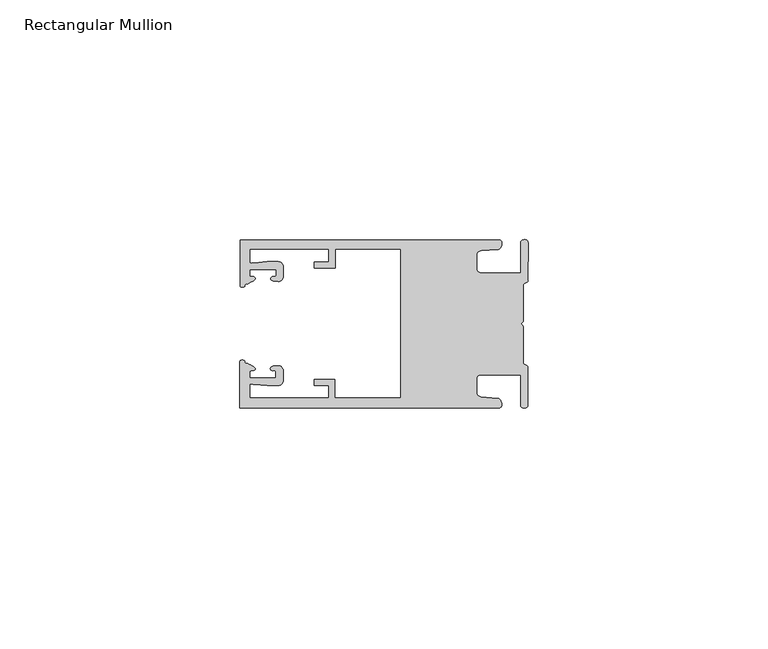
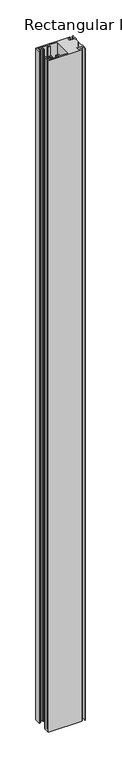
"""IFC4 building model written with IfcOpenShell, lengths in millimetres: member geometry, Rectangular Mullion."""

from ifc_helpers import new_model, si_unit, frame, origin, place, context, project, spatial, circle_curve, source, transform, mapped, element, save
from ifc_brep_helpers import plane_surface, cylinder_surface, extruded_surface, spline_curve, advanced_brep


def rectangular_mullion_a2af838d(model_context):
    return source(origin(), model_context, "Body", "AdvancedBrep", [
        advanced_brep(
        [(-60.0749377, 17.5111528, 0.0), (-60.0749377, 8.0140787, 0.0), (-59.3252567, 7.7187455, 0.0), (-58.4967974, 8.36785, 0.0), (-58.0726619, 10.1173923, 0.0), (-58.0713101, 11.3673916, 0.0), (-52.5713133, 11.3614437, 0.0), (-52.5726651, 10.1114444, 0.0), (-53.1427626, 8.8955539, 0.0), (-52.0740172, 8.8609044, 0.0), (-51.0729364, 9.8598224, 0.0), (-51.0706653, 11.9598211, 0.0), (-52.0700692, 12.9609024, 0.0), (-54.3905105, 12.9622843, 0.0), (-57.1599646, 12.7230061, 0.0), (-58.0696339, 12.9173907, 0.0), (-58.066768, 15.5673891, 0.0), (-41.5667584, 15.5673891, 0.0), (-41.5695894, 12.9495468, 0.0), (-44.5695877, 12.9527912, 0.0), (-44.5709936, 11.6527919, 0.0), (-40.2709961, 11.6481417, 0.0), (-40.2667576, 15.5673891, 0.0), (-26.6002952, 15.5673891, 0.0), (-26.6002952, -15.4518424, 0.0), (-40.3003032, -15.4518424, 0.0), (-40.2960856, -11.5518447, 0.0), (-44.5960831, -11.5471945, 0.0), (-44.597489, -12.8471938, 0.0), (-41.5974907, -12.8504381, 0.0), (-41.6003025, -15.4504366, 0.0), (-58.1002928, -15.4325927, 0.0), (-58.097427, -12.7825943, 0.0), (-57.1873395, -12.5901776, 0.0), (-54.4184094, -12.8354453, 0.0), (-52.0979705, -12.8390822, 0.0), (-51.0964037, -11.8401649, 0.0), (-51.0941327, -9.7401662, 0.0), (-52.0930507, -8.7390853, 0.0), (-53.1618685, -8.7714231, 0.0), (-52.5944022, -9.9885439, 0.0), (-52.595754, -11.2385431, 0.0), (-58.0957508, -11.2325952, 0.0), (-58.094399, -9.9825959, 0.0), (-58.5147494, -8.2321403, 0.0), (-59.3418028, -7.5812455, 0.0), (-60.0921208, -7.8749565, 0.0), (-60.0921208, -17.4888267, 0.0), (-6.1024861, -17.4888267, 0.0), (-6.5218639, -15.488372, 0.0), (-9.8784944, -15.2205466, 0.0), (-10.7989567, -14.2226333, 0.0), (-10.7961029, -11.5837474, 0.0), (-9.8734844, -10.5878272, 0.0), (-1.5950266, -10.5934991, 0.0), (-1.601948, -16.9936935, 0.0), (-0.1017194, -16.7830581, 0.0), (-0.0933208, -9.0170082, 0.0), (-1.0923837, -8.1499018, 0.0), (-1.0842165, -0.5977972, 0.0), (-1.0829111, 0.6093089, 0.0), (-1.0747439, 8.1614135, 0.0), (-0.0738079, 9.026357, 0.0), (-0.0654093, 16.7924069, 0.0), (-1.5651789, 17.0062866, 0.0), (-1.5651789, 10.6183257, 0.0), (-9.8505511, 10.6183257, 0.0), (-10.7710133, 11.6162391, 0.0), (-10.7681595, 14.255125, 0.0), (-9.845541, 15.2510452, 0.0), (-6.4883391, 15.5116099, 0.0), (-6.0646356, 17.5111528, 0.0), (-60.0749377, 17.5111528, -1143.4999998), (-6.0646356, 17.5111528, -1143.4999998), (-6.4883391, 15.5116099, -1143.4999998), (-9.845541, 15.2510452, -1143.4999998), (-10.7681595, 14.255125, -1143.4999998), (-10.7710133, 11.6162391, -1143.4999998), (-9.8505511, 10.6183257, -1143.4999998), (-1.5651789, 10.6183257, -1143.4999998), (-1.5651789, 17.0062866, -1143.4999998), (-0.0654093, 16.7924069, -1143.4999998), (-0.0738079, 9.026357, -1143.4999998), (-1.0747439, 8.1614135, -1143.4999998), (-1.0829111, 0.6093089, -1143.4999998), (-1.0842165, -0.5977972, -1143.4999998), (-1.0923837, -8.1499018, -1143.4999998), (-0.0933208, -9.0170082, -1143.4999998), (-0.1017194, -16.7830581, -1143.4999998), (-1.601948, -16.9936935, -1143.4999998), (-1.5950266, -10.5934991, -1143.4999998), (-9.8734844, -10.5878272, -1143.4999998), (-10.7961029, -11.5837474, -1143.4999998), (-10.7989567, -14.2226333, -1143.4999998), (-9.8784944, -15.2205466, -1143.4999998), (-6.5218639, -15.488372, -1143.4999998), (-6.1024861, -17.4888267, -1143.4999998), (-60.0921208, -17.4888267, -1143.4999998), (-60.0921208, -7.8749565, -1143.4999998), (-59.3418028, -7.5812455, -1143.4999998), (-58.5147494, -8.2321403, -1143.4999998), (-58.094399, -9.9825959, -1143.4999998), (-58.0957508, -11.2325952, -1143.4999998), (-52.595754, -11.2385431, -1143.4999998), (-52.5944022, -9.9885439, -1143.4999998), (-53.1618685, -8.7714231, -1143.4999998), (-52.0930507, -8.7390853, -1143.4999998), (-51.0941327, -9.7401662, -1143.4999998), (-51.0964037, -11.8401649, -1143.4999998), (-52.0979705, -12.8390823, -1143.4999998), (-54.4184094, -12.8354453, -1143.4999998), (-57.1873395, -12.5901776, -1143.4999998), (-58.097427, -12.7825943, -1143.4999998), (-58.1002928, -15.4325927, -1143.4999998), (-41.6003025, -15.4504366, -1143.4999998), (-41.5974907, -12.8504381, -1143.4999998), (-44.597489, -12.8471938, -1143.4999998), (-44.5960831, -11.5471945, -1143.4999998), (-40.2960856, -11.5518447, -1143.4999998), (-40.3003032, -15.4518424, -1143.4999998), (-26.6002952, -15.4518424, -1143.4999998), (-26.6002952, 15.5673891, -1143.4999998), (-40.2667576, 15.5673891, -1143.4999998), (-40.2709961, 11.6481417, -1143.4999998), (-44.5709936, 11.6527919, -1143.4999998), (-44.5695877, 12.9527912, -1143.4999998), (-41.5695894, 12.9495468, -1143.4999998), (-41.5667584, 15.5673891, -1143.4999998), (-58.066768, 15.5673891, -1143.4999998), (-58.0696339, 12.9173907, -1143.4999998), (-57.1599646, 12.7230061, -1143.4999998), (-54.3905105, 12.9622843, -1143.4999998), (-52.0700692, 12.9609023, -1143.4999998), (-51.0706653, 11.9598211, -1143.4999998), (-51.0729364, 9.8598224, -1143.4999998), (-52.0740172, 8.8609044, -1143.4999998), (-53.1427626, 8.8955539, -1143.4999998), (-52.5726651, 10.1114444, -1143.4999998), (-52.5713133, 11.3614437, -1143.4999998), (-58.0713101, 11.3673916, -1143.4999998), (-58.0726619, 10.1173923, -1143.4999998), (-58.4967974, 8.36785, -1143.4999998), (-59.3252567, 7.7187455, -1143.4999998), (-60.0749377, 8.0140787, -1143.4999998)],
        [
            (0, 1),
            (1, 2, spline_curve(3, [(-60.0749377, 8.0140787, 0.0), (-60.075233123, 7.740904774, 0.0), (-59.825339491, 7.642460332, 0.0), (-59.3252567, 7.7187455, 0.0)], [4, 4], [0.0, 0.0019169337574178654])),
            (2, 3, spline_curve(3, [(-59.3252567, 7.7187455, 0.0), (-59.094460914, 7.75918372, 0.0), (-59.054835463, 7.902257199, 0.0), (-59.05559987, 8.233305614, 0.0), (-59.138729113, 8.4134359, 0.0), (-58.4967974, 8.36785, 0.0)], [4, 2, 4], [0.0, 0.0010199524164107188, 0.0024874514725970356])),
            (3, 4, spline_curve(3, [(-58.4967974, 8.36785, 0.0), (-57.022393378, 9.053435667, 0.0), (-56.827266887, 9.364828726, 0.0), (-56.982213078, 9.742623404, 0.0), (-57.177375211, 9.855581791, 0.0), (-57.697928101, 9.887955071, 0.0), (-57.997449153, 9.835475348, 0.0), (-58.0726619, 10.1173923, 0.0)], [4, 2, 2, 4], [0.0, 0.003269869179570428, 0.005490050486237203, 0.0073545767114364426])),
            (4, 5),
            (5, 6),
            (6, 7),
            (7, 8, spline_curve(3, [(-52.5726651, 10.1114444, 0.0), (-52.667195519, 9.760172042, 0.0), (-52.937094388, 9.861877724, 0.0), (-53.356237032, 9.895631753, 0.0), (-53.491940439, 9.811038713, 0.0), (-53.761900775, 9.511438033, 0.0), (-53.892893546, 9.278787104, 0.0), (-53.1427626, 8.8955539, 0.0)], [4, 2, 2, 4], [0.0, 0.001593963049934732, 0.0033360256320283306, 0.005339140673503943])),
            (8, 9),
            (9, 10, circle_curve(frame((-52.0729358, 9.8609038, 0.0), z_axis=(0.0, 0.0, 1.0), x_axis=(-0.0010814451158600304, -0.9999994152380598, 0.0)), 1.0)),
            (10, 11),
            (11, 12, circle_curve(frame((-52.0706647, 11.9609026, 0.0), z_axis=(0.0, 0.0, 1.0), x_axis=(-0.0010814451158600304, -0.9999994152380598, 0.0)), 1.0)),
            (12, 13),
            (13, 14),
            (14, 15, spline_curve(3, [(-57.1599646, 12.7230061, 0.0), (-57.631533854, 12.682262968, 0.0), (-58.018602985, 12.477800124, 0.0), (-58.0696339, 12.9173907, 0.0)], [4, 4], [0.0, 0.0014803385355886016])),
            (15, 16),
            (16, 17),
            (17, 18),
            (18, 19),
            (19, 20),
            (20, 21),
            (21, 22),
            (22, 23),
            (23, 24),
            (24, 25),
            (25, 26),
            (26, 27),
            (27, 28),
            (28, 29),
            (29, 30),
            (30, 31),
            (31, 32),
            (32, 33, spline_curve(3, [(-58.097427, -12.7825943, 0.0), (-58.045445419, -12.343115126, 0.0), (-57.658819528, -12.548414611, 0.0), (-57.1873395, -12.5901776, 0.0)], [4, 4], [0.0, 0.0014803385355886016])),
            (33, 34),
            (34, 35),
            (35, 36, circle_curve(frame((-52.0964031, -11.8390835, 0.0), z_axis=(0.0, 0.0, 1.0), x_axis=(0.0010814451158600304, 0.9999994152380598, 0.0)), 1.0)),
            (36, 37),
            (37, 38, circle_curve(frame((-52.0941321, -9.7390847, 0.0), z_axis=(0.0, 0.0, 1.0), x_axis=(0.0010814451158600304, 0.9999994152380598, 0.0)), 1.0)),
            (38, 39),
            (39, 40, spline_curve(3, [(-53.1618685, -8.7714231, 0.0), (-53.912826582, -9.153032958, 0.0), (-53.782337352, -9.385966711, 0.0), (-53.51302565, -9.686150585, 0.0), (-53.377505444, -9.771037009, 0.0), (-52.958290774, -9.738189618, 0.0), (-52.688172635, -9.637067904, 0.0), (-52.5944022, -9.9885439, 0.0)], [4, 2, 2, 4], [0.0, 0.002003115041475612, 0.0037451776235692107, 0.005339140673503943])),
            (40, 41),
            (41, 42),
            (42, 43),
            (43, 44, spline_curve(3, [(-58.094399, -9.9825959, 0.0), (-58.018576674, -9.700842284, 0.0), (-57.719169706, -9.753969703, 0.0), (-57.198548014, -9.722722397, 0.0), (-57.003142178, -9.61018632, 0.0), (-56.847379222, -9.232727657, 0.0), (-57.041831673, -8.920913336, 0.0), (-58.5147494, -8.2321403, 0.0)], [4, 2, 2, 4], [0.0, 0.0018645262251992395, 0.004084707531866015, 0.0073545767114364426])),
            (44, 45, spline_curve(3, [(-58.5147494, -8.2321403, 0.0), (-59.156778208, -8.276337666, 0.0), (-59.073259494, -8.096387681, 0.0), (-59.071779067, -7.765341694, 0.0), (-59.111095017, -7.622182811, 0.0), (-59.3418028, -7.5812455, 0.0)], [4, 2, 4], [0.0, 0.0014674990561863168, 0.0024874514725970356])),
            (45, 46, spline_curve(3, [(-59.3418028, -7.5812455, 0.0), (-59.841719425, -7.503878887, 0.0), (-60.091825377, -7.601782574, 0.0), (-60.0921208, -7.8749565, 0.0)], [4, 4], [0.0, 0.0019169337574178654])),
            (46, 47),
            (47, 48),
            (48, 49, spline_curve(3, [(-6.1024861, -17.4888267, 0.0), (-5.074532184, -17.418062188, 0.0), (-5.631140689, -15.411414367, 0.0), (-6.5218639, -15.488372, 0.0)], [4, 4], [0.0, 0.0043819361547461745])),
            (49, 50),
            (50, 51, spline_curve(3, [(-9.8784944, -15.2205466, 0.0), (-10.440691543, -15.150698463, 0.0), (-10.74751234, -14.818060727, 0.0), (-10.7989567, -14.2226333, 0.0)], [4, 4], [0.0, 0.0028645797420738927])),
            (51, 52),
            (52, 53, spline_curve(3, [(-10.7961029, -11.5837474, 0.0), (-10.743370817, -10.988432634, 0.0), (-10.435831301, -10.656459204, 0.0), (-9.8734844, -10.5878272, 0.0)], [4, 4], [0.0, 0.0028645797420738927])),
            (53, 54),
            (54, 55),
            (55, 56, spline_curve(3, [(-1.601948, -16.9936935, 0.0), (-1.655676874, -17.600261454, 0.0), (-0.043737403, -17.912795581, 0.0), (-0.1017194, -16.7830581, 0.0)], [4, 4], [0.0, 0.0036987374396357936])),
            (56, 57),
            (57, 58, spline_curve(3, [(-0.0933208, -9.0170082, 0.0), (-0.018818183, -8.695886697, 0.0), (-1.193434327, -8.459763043, 0.0), (-1.0923837, -8.1499018, 0.0)], [4, 4], [0.0, 0.002027216749630121])),
            (58, 59),
            (59, 60, spline_curve(3, [(-1.0842165, -0.5977972, 0.0), (-1.013223198, -0.445980437, 0.0), (-1.487945123, -0.206736825, 0.0), (-1.487409651, 0.231097965, 0.0), (-0.999110985, 0.429090391, 0.0), (-1.0829111, 0.6093089, 0.0)], [4, 2, 4], [0.0, 0.00249866671847065, 0.005031402919736269])),
            (60, 61),
            (61, 62, spline_curve(3, [(-1.0747439, 8.1614135, 0.0), (-1.175124095, 8.47149258, 0.0), (-7e-09, 8.705075107, 0.0), (-0.0738079, 9.026357, 0.0)], [4, 4], [0.0, 0.002027216749630121])),
            (62, 63),
            (63, 64, spline_curve(3, [(-0.0654093, 16.7924069, 0.0), (-0.004983942, 17.92201633, 0.0), (-1.617595709, 17.612969344, 0.0), (-1.5651789, 17.0062866, 0.0)], [4, 4], [0.0, 0.0036987374396357936])),
            (64, 65),
            (65, 66),
            (66, 67, spline_curve(3, [(-9.8505511, 10.6183257, 0.0), (-10.412748243, 10.688173837, 0.0), (-10.71956894, 11.020811673, 0.0), (-10.7710133, 11.6162391, 0.0)], [4, 4], [0.0, 0.0028645797420738927])),
            (67, 68),
            (68, 69, spline_curve(3, [(-10.7681595, 14.255125, 0.0), (-10.715427417, 14.850439766, 0.0), (-10.407887901, 15.182413196, 0.0), (-9.845541, 15.2510452, 0.0)], [4, 4], [0.0, 0.0028645797420738927])),
            (69, 70),
            (70, 71, spline_curve(3, [(-6.4883391, 15.5116099, 0.0), (-5.597784423, 15.432725911, 0.0), (-5.036837144, 17.438165103, 0.0), (-6.0646356, 17.5111528, 0.0)], [4, 4], [0.0, 0.0043819361547461745])),
            (71, 0),
            (72, 73),
            (73, 74, spline_curve(3, [(-6.0646356, 17.5111528, -1143.4999998), (-5.036837144, 17.438165103, -1143.4999998), (-5.597784423, 15.432725911, -1143.4999998), (-6.4883391, 15.5116099, -1143.4999998)], [4, 4], [0.0, 0.0043819361547461745])),
            (74, 75),
            (75, 76, spline_curve(3, [(-9.845541, 15.2510452, -1143.4999998), (-10.407887901, 15.182413196, -1143.4999998), (-10.715427417, 14.850439766, -1143.4999998), (-10.7681595, 14.255125, -1143.4999998)], [4, 4], [0.0, 0.0028645797420738927])),
            (76, 77),
            (77, 78, spline_curve(3, [(-10.7710133, 11.6162391, -1143.4999998), (-10.71956894, 11.020811673, -1143.4999998), (-10.412748243, 10.688173837, -1143.4999998), (-9.8505511, 10.6183257, -1143.4999998)], [4, 4], [0.0, 0.0028645797420738927])),
            (78, 79),
            (79, 80),
            (80, 81, spline_curve(3, [(-1.5651789, 17.0062866, -1143.4999998), (-1.617595709, 17.612969344, -1143.4999998), (-0.004983942, 17.92201633, -1143.4999998), (-0.0654093, 16.7924069, -1143.4999998)], [4, 4], [0.0, 0.0036987374396357936])),
            (81, 82),
            (82, 83, spline_curve(3, [(-0.0738079, 9.026357, -1143.4999998), (-7e-09, 8.705075107, -1143.4999998), (-1.175124095, 8.47149258, -1143.4999998), (-1.0747439, 8.1614135, -1143.4999998)], [4, 4], [0.0, 0.002027216749630121])),
            (83, 84),
            (84, 85, spline_curve(3, [(-1.0829111, 0.6093089, -1143.4999998), (-0.999110985, 0.429090391, -1143.4999998), (-1.487409651, 0.231097965, -1143.4999998), (-1.487945123, -0.206736825, -1143.4999998), (-1.013223198, -0.445980437, -1143.4999998), (-1.0842165, -0.5977972, -1143.4999998)], [4, 2, 4], [0.0, 0.002532736201265619, 0.005031402919736269])),
            (85, 86),
            (86, 87, spline_curve(3, [(-1.0923837, -8.1499018, -1143.4999998), (-1.193434327, -8.459763043, -1143.4999998), (-0.018818183, -8.695886697, -1143.4999998), (-0.0933208, -9.0170082, -1143.4999998)], [4, 4], [0.0, 0.002027216749630121])),
            (87, 88),
            (88, 89, spline_curve(3, [(-0.1017194, -16.7830581, -1143.4999998), (-0.043737403, -17.912795581, -1143.4999998), (-1.655676874, -17.600261454, -1143.4999998), (-1.601948, -16.9936935, -1143.4999998)], [4, 4], [0.0, 0.0036987374396357936])),
            (89, 90),
            (90, 91),
            (91, 92, spline_curve(3, [(-9.8734844, -10.5878272, -1143.4999998), (-10.435831301, -10.656459204, -1143.4999998), (-10.743370817, -10.988432634, -1143.4999998), (-10.7961029, -11.5837474, -1143.4999998)], [4, 4], [0.0, 0.0028645797420738927])),
            (92, 93),
            (93, 94, spline_curve(3, [(-10.7989567, -14.2226333, -1143.4999998), (-10.74751234, -14.818060727, -1143.4999998), (-10.440691543, -15.150698463, -1143.4999998), (-9.8784944, -15.2205466, -1143.4999998)], [4, 4], [0.0, 0.0028645797420738927])),
            (94, 95),
            (95, 96, spline_curve(3, [(-6.5218639, -15.488372, -1143.4999998), (-5.631140689, -15.411414367, -1143.4999998), (-5.074532184, -17.418062188, -1143.4999998), (-6.1024861, -17.4888267, -1143.4999998)], [4, 4], [0.0, 0.0043819361547461745])),
            (96, 97),
            (97, 98),
            (98, 99, spline_curve(3, [(-60.0921208, -7.8749565, -1143.4999998), (-60.091825377, -7.601782574, -1143.4999998), (-59.841719425, -7.503878887, -1143.4999998), (-59.3418028, -7.5812455, -1143.4999998)], [4, 4], [0.0, 0.0019169337574178654])),
            (99, 100, spline_curve(3, [(-59.3418028, -7.5812455, -1143.4999998), (-59.111095017, -7.622182811, -1143.4999998), (-59.071779067, -7.765341694, -1143.4999998), (-59.073259494, -8.096387681, -1143.4999998), (-59.156778208, -8.276337666, -1143.4999998), (-58.5147494, -8.2321403, -1143.4999998)], [4, 2, 4], [0.0, 0.0010199524164107188, 0.0024874514725970356])),
            (100, 101, spline_curve(3, [(-58.5147494, -8.2321403, -1143.4999998), (-57.041831673, -8.920913336, -1143.4999998), (-56.847379222, -9.232727657, -1143.4999998), (-57.003142178, -9.61018632, -1143.4999998), (-57.198548014, -9.722722397, -1143.4999998), (-57.719169706, -9.753969703, -1143.4999998), (-58.018576674, -9.700842284, -1143.4999998), (-58.094399, -9.9825959, -1143.4999998)], [4, 2, 2, 4], [0.0, 0.003269869179570428, 0.005490050486237203, 0.0073545767114364426])),
            (101, 102),
            (102, 103),
            (103, 104),
            (104, 105, spline_curve(3, [(-52.5944022, -9.9885439, -1143.4999998), (-52.688172635, -9.637067904, -1143.4999998), (-52.958290774, -9.738189618, -1143.4999998), (-53.377505444, -9.771037009, -1143.4999998), (-53.51302565, -9.686150585, -1143.4999998), (-53.782337352, -9.385966711, -1143.4999998), (-53.912826582, -9.153032958, -1143.4999998), (-53.1618685, -8.7714231, -1143.4999998)], [4, 2, 2, 4], [0.0, 0.001593963049934732, 0.0033360256320283306, 0.005339140673503943])),
            (105, 106),
            (106, 107, circle_curve(frame((-52.0941321, -9.7390847, -1143.4999998), z_axis=(0.0, 0.0, -1.0), x_axis=(0.0010814451158600304, 0.9999994152380598, 0.0)), 1.0)),
            (107, 108),
            (108, 109, circle_curve(frame((-52.0964031, -11.8390835, -1143.4999998), z_axis=(0.0, 0.0, -1.0), x_axis=(0.0010814451158600304, 0.9999994152380598, 0.0)), 1.0)),
            (109, 110),
            (110, 111),
            (111, 112, spline_curve(3, [(-57.1873395, -12.5901776, -1143.4999998), (-57.658819528, -12.548414611, -1143.4999998), (-58.045445419, -12.343115126, -1143.4999998), (-58.097427, -12.7825943, -1143.4999998)], [4, 4], [0.0, 0.0014803385355886016])),
            (112, 113),
            (113, 114),
            (114, 115),
            (115, 116),
            (116, 117),
            (117, 118),
            (118, 119),
            (119, 120),
            (120, 121),
            (121, 122),
            (122, 123),
            (123, 124),
            (124, 125),
            (125, 126),
            (126, 127),
            (127, 128),
            (128, 129),
            (129, 130, spline_curve(3, [(-58.0696339, 12.9173907, -1143.4999998), (-58.018602985, 12.477800124, -1143.4999998), (-57.631533854, 12.682262968, -1143.4999998), (-57.1599646, 12.7230061, -1143.4999998)], [4, 4], [0.0, 0.0014803385355886016])),
            (130, 131),
            (131, 132),
            (132, 133, circle_curve(frame((-52.0706647, 11.9609026, -1143.4999998), z_axis=(0.0, 0.0, -1.0), x_axis=(-0.0010814451158600304, -0.9999994152380598, 0.0)), 1.0)),
            (133, 134),
            (134, 135, circle_curve(frame((-52.0729358, 9.8609038, -1143.4999998), z_axis=(0.0, 0.0, -1.0), x_axis=(-0.0010814451158600304, -0.9999994152380598, 0.0)), 1.0)),
            (135, 136),
            (136, 137, spline_curve(3, [(-53.1427626, 8.8955539, -1143.4999998), (-53.892893546, 9.278787104, -1143.4999998), (-53.761900775, 9.511438033, -1143.4999998), (-53.491940439, 9.811038713, -1143.4999998), (-53.356237032, 9.895631753, -1143.4999998), (-52.937094388, 9.861877724, -1143.4999998), (-52.667195519, 9.760172042, -1143.4999998), (-52.5726651, 10.1114444, -1143.4999998)], [4, 2, 2, 4], [0.0, 0.002003115041475612, 0.0037451776235692107, 0.005339140673503943])),
            (137, 138),
            (138, 139),
            (139, 140),
            (140, 141, spline_curve(3, [(-58.0726619, 10.1173923, -1143.4999998), (-57.997449153, 9.835475348, -1143.4999998), (-57.697928101, 9.887955071, -1143.4999998), (-57.177375211, 9.855581791, -1143.4999998), (-56.982213078, 9.742623404, -1143.4999998), (-56.827266887, 9.364828726, -1143.4999998), (-57.022393378, 9.053435667, -1143.4999998), (-58.4967974, 8.36785, -1143.4999998)], [4, 2, 2, 4], [0.0, 0.0018645262251992395, 0.004084707531866015, 0.0073545767114364426])),
            (141, 142, spline_curve(3, [(-58.4967974, 8.36785, -1143.4999998), (-59.138729113, 8.4134359, -1143.4999998), (-59.05559987, 8.233305614, -1143.4999998), (-59.054835463, 7.902257199, -1143.4999998), (-59.094460914, 7.75918372, -1143.4999998), (-59.3252567, 7.7187455, -1143.4999998)], [4, 2, 4], [0.0, 0.0014674990561863168, 0.0024874514725970356])),
            (142, 143, spline_curve(3, [(-59.3252567, 7.7187455, -1143.4999998), (-59.825339491, 7.642460332, -1143.4999998), (-60.075233123, 7.740904774, -1143.4999998), (-60.0749377, 8.0140787, -1143.4999998)], [4, 4], [0.0, 0.0019169337574178654])),
            (143, 72),
            (0, 72),
            (143, 1),
            (142, 2),
            (141, 3),
            (140, 4),
            (139, 5),
            (138, 6),
            (137, 7),
            (136, 8),
            (135, 9),
            (134, 10),
            (133, 11),
            (132, 12),
            (131, 13),
            (130, 14),
            (129, 15),
            (128, 16),
            (127, 17),
            (126, 18),
            (125, 19),
            (124, 20),
            (123, 21),
            (122, 22),
            (121, 23),
            (120, 24),
            (119, 25),
            (118, 26),
            (117, 27),
            (116, 28),
            (115, 29),
            (114, 30),
            (113, 31),
            (112, 32),
            (111, 33),
            (110, 34),
            (109, 35),
            (108, 36),
            (107, 37),
            (106, 38),
            (105, 39),
            (104, 40),
            (103, 41),
            (102, 42),
            (101, 43),
            (100, 44),
            (99, 45),
            (98, 46),
            (97, 47),
            (96, 48),
            (95, 49),
            (94, 50),
            (93, 51),
            (92, 52),
            (91, 53),
            (90, 54),
            (89, 55),
            (88, 56),
            (87, 57),
            (86, 58),
            (85, 59),
            (84, 60),
            (83, 61),
            (82, 62),
            (81, 63),
            (80, 64),
            (79, 65),
            (78, 66),
            (77, 67),
            (76, 68),
            (75, 69),
            (74, 70),
            (73, 71),
        ],
        [
            plane_surface(frame((0.0, -62.5853181, 0.0), z_axis=(0.0, 0.0, 1.0), x_axis=(-1.0, 0.0, 0.0))),
            plane_surface(frame((0.0, -62.5853181, -1143.4999998), z_axis=(0.0, 0.0, -1.0), x_axis=(-1.0, 0.0, 0.0))),
            plane_surface(frame((-60.0749377, 17.5111528, 0.0), z_axis=(-1.0, 0.0, 0.0), x_axis=(0.0, 0.0, -1.0))),
            extruded_surface(spline_curve(3, [(-60.0749377, 8.0140787, -1143.4999998), (-60.075233123, 7.740904774, -1143.4999998), (-59.825339491, 7.642460332, -1143.4999998), (-59.3252567, 7.7187455, -1143.4999998)], [4, 4], [0.0, 0.0019169337574178654]), (0.0, 0.0, 1143.4999998), 1143.4999998),
            extruded_surface(spline_curve(3, [(-59.3252567, 7.7187455, -1143.4999998), (-59.094460914, 7.75918372, -1143.4999998), (-59.054835463, 7.902257199, -1143.4999998), (-59.05559987, 8.233305614, -1143.4999998), (-59.138729113, 8.4134359, -1143.4999998), (-58.4967974, 8.36785, -1143.4999998)], [4, 2, 4], [0.0, 0.0010199524164107188, 0.0024874514725970356]), (0.0, 0.0, 1143.4999998), 1143.4999998),
            extruded_surface(spline_curve(3, [(-58.4967974, 8.36785, -1143.4999998), (-57.022393378, 9.053435667, -1143.4999998), (-56.827266887, 9.364828726, -1143.4999998), (-56.982213078, 9.742623404, -1143.4999998), (-57.177375211, 9.855581791, -1143.4999998), (-57.697928101, 9.887955071, -1143.4999998), (-57.997449153, 9.835475348, -1143.4999998), (-58.0726619, 10.1173923, -1143.4999998)], [4, 2, 2, 4], [0.0, 0.003269869179570428, 0.005490050486237203, 0.0073545767114364426]), (0.0, 0.0, 1143.4999998), 1143.4999998),
            plane_surface(frame((-58.0726619, 10.1173923, 0.0), z_axis=(0.9999994152380598, -0.0010814451158634145, 0.0), x_axis=(0.0, 0.0, -1.0))),
            plane_surface(frame((-58.0713101, 11.3673916, 0.0), z_axis=(-0.0010814451158616418, -0.9999994152380598, 0.0), x_axis=(0.0, 0.0, -1.0))),
            plane_surface(frame((-52.5713133, 11.3614437, 0.0), z_axis=(-0.9999994152380598, 0.0010814451158643293, 0.0), x_axis=(0.0, 0.0, -1.0))),
            extruded_surface(spline_curve(3, [(-52.5726651, 10.1114444, -1143.4999998), (-52.667195519, 9.760172042, -1143.4999998), (-52.937094388, 9.861877724, -1143.4999998), (-53.356237032, 9.895631753, -1143.4999998), (-53.491940439, 9.811038713, -1143.4999998), (-53.761900775, 9.511438033, -1143.4999998), (-53.892893546, 9.278787104, -1143.4999998), (-53.1427626, 8.8955539, -1143.4999998)], [4, 2, 2, 4], [0.0, 0.001593963049934732, 0.0033360256320283306, 0.005339140673503943]), (0.0, 0.0, 1143.4999998), 1143.4999998),
            plane_surface(frame((-53.1427626, 8.8955539, 0.0), z_axis=(-0.032403661401520414, -0.9994748634797054, 0.0), x_axis=(0.0, 0.0, -1.0))),
            cylinder_surface(frame((-52.0729358, 9.8609038, 0.0), z_axis=(0.0, 0.0, 1.0000000000000002), x_axis=(-0.0010814451158600304, -0.9999994152380598, 0.0)), 1.0),
            plane_surface(frame((-51.0729364, 9.8598224, 0.0), z_axis=(0.9999994152380598, -0.001081445115864059, 0.0), x_axis=(0.0, 0.0, -1.0))),
            cylinder_surface(frame((-52.0706647, 11.9609026, 0.0), z_axis=(0.0, 0.0, 1.0000000000000002), x_axis=(-0.0010814451158600304, -0.9999994152380598, 0.0)), 1.0),
            plane_surface(frame((-52.0700692, 12.9609023, 0.0), z_axis=(0.0005955716436318007, 0.999999822647193, 0.0), x_axis=(0.0, 0.0, -1.0))),
            plane_surface(frame((-54.3905105, 12.9622843, 0.0), z_axis=(-0.08607836189159865, 0.9962883697073147, 0.0), x_axis=(0.0, 0.0, -1.0))),
            extruded_surface(spline_curve(3, [(-57.1599646, 12.7230061, -1143.4999998), (-57.631533854, 12.682262968, -1143.4999998), (-58.018602985, 12.477800124, -1143.4999998), (-58.0696339, 12.9173907, -1143.4999998)], [4, 4], [0.0, 0.0014803385355886016]), (0.0, 0.0, 1143.4999998), 1143.4999998),
            plane_surface(frame((-58.0696339, 12.9173907, 0.0), z_axis=(0.9999994152380598, -0.0010814451158629996, 0.0), x_axis=(0.0, 0.0, -1.0))),
            plane_surface(frame((-58.066768, 15.5673891, 0.0), z_axis=(0.0, -1.0, 0.0), x_axis=(0.0, 0.0, -1.0))),
            plane_surface(frame((-41.5667584, 15.5673891, 0.0), z_axis=(-0.9999994152380598, 0.0010814451158636304, 0.0), x_axis=(0.0, 0.0, -1.0))),
            plane_surface(frame((-41.5695894, 12.9495468, 0.0), z_axis=(0.0010814451158615687, 0.9999994152380598, 0.0), x_axis=(0.0, 0.0, -1.0))),
            plane_surface(frame((-44.5695877, 12.9527912, 0.0), z_axis=(-0.9999994152380598, 0.0010814451158626742, 0.0), x_axis=(0.0, 0.0, -1.0))),
            plane_surface(frame((-44.5709936, 11.6527919, 0.0), z_axis=(-0.001081445115861604, -0.9999994152380598, 0.0), x_axis=(0.0, 0.0, -1.0))),
            plane_surface(frame((-40.2709961, 11.6481417, 0.0), z_axis=(0.9999994152380598, -0.001081445115863507, 0.0), x_axis=(0.0, 0.0, -1.0))),
            plane_surface(frame((-40.2667576, 15.5673891, 0.0), z_axis=(0.0, -1.0, 0.0), x_axis=(0.0, 0.0, -1.0))),
            plane_surface(frame((-26.6002952, 15.5673891, 0.0), z_axis=(-1.0, 0.0, 0.0), x_axis=(0.0, 0.0, -1.0))),
            plane_surface(frame((-26.6002952, -15.4518424, 0.0), z_axis=(0.0, 1.0, 0.0), x_axis=(0.0, 0.0, -1.0))),
            plane_surface(frame((-40.3003032, -15.4518424, 0.0), z_axis=(0.9999994152380598, -0.0010814451158565538, 0.0), x_axis=(0.0, 0.0, -1.0))),
            plane_surface(frame((-40.2960856, -11.5518447, 0.0), z_axis=(0.0010814451158584568, 0.9999994152380598, 0.0), x_axis=(0.0, 0.0, -1.0))),
            plane_surface(frame((-44.5960831, -11.5471945, 0.0), z_axis=(-0.9999994152380598, 0.0010814451158573867, 0.0), x_axis=(0.0, 0.0, -1.0))),
            plane_surface(frame((-44.597489, -12.8471938, 0.0), z_axis=(-0.0010814451158584922, -0.9999994152380598, 0.0), x_axis=(0.0, 0.0, -1.0))),
            plane_surface(frame((-41.5974907, -12.8504381, 0.0), z_axis=(-0.9999994152380598, 0.0010814451158564305, 0.0), x_axis=(0.0, 0.0, -1.0))),
            plane_surface(frame((-41.6003025, -15.4504366, 0.0), z_axis=(0.0010814451158583872, 0.9999994152380598, 0.0), x_axis=(0.0, 0.0, -1.0))),
            plane_surface(frame((-58.1002928, -15.4325927, 0.0), z_axis=(0.9999994152380598, -0.0010814451158570612, 0.0), x_axis=(0.0, 0.0, -1.0))),
            extruded_surface(spline_curve(3, [(-58.097427, -12.7825943, -1143.4999998), (-58.045445419, -12.343115126, -1143.4999998), (-57.658819528, -12.548414611, -1143.4999998), (-57.1873395, -12.5901776, -1143.4999998)], [4, 4], [0.0, 0.0014803385355886016]), (0.0, 0.0, 1143.4999998), 1143.4999998),
            plane_surface(frame((-57.1873395, -12.5901776, 0.0), z_axis=(-0.0882330216729926, -0.9960998614026876, 0.0), x_axis=(0.0, 0.0, -1.0))),
            plane_surface(frame((-54.4184094, -12.8354453, 0.0), z_axis=(-0.0015673183327880543, -0.9999987717558677, 0.0), x_axis=(0.0, 0.0, -1.0))),
            cylinder_surface(frame((-52.0964031, -11.8390835, 0.0), z_axis=(0.0, 0.0, 1.0000000000000002), x_axis=(0.0010814451158600304, 0.9999994152380598, 0.0)), 1.0),
            plane_surface(frame((-51.0964037, -11.8401649, 0.0), z_axis=(0.9999994152380598, -0.001081445115856002, 0.0), x_axis=(0.0, 0.0, -1.0))),
            cylinder_surface(frame((-52.0941321, -9.7390847, 0.0), z_axis=(0.0, 0.0, 1.0000000000000002), x_axis=(0.0010814451158600304, 0.9999994152380598, 0.0)), 1.0),
            plane_surface(frame((-52.0930507, -8.7390853, 0.0), z_axis=(-0.030241832452872642, 0.9995426111826812, 0.0), x_axis=(0.0, 0.0, -1.0))),
            extruded_surface(spline_curve(3, [(-53.1618685, -8.7714231, -1143.4999998), (-53.912826582, -9.153032958, -1143.4999998), (-53.782337352, -9.385966711, -1143.4999998), (-53.51302565, -9.686150585, -1143.4999998), (-53.377505444, -9.771037009, -1143.4999998), (-52.958290774, -9.738189618, -1143.4999998), (-52.688172635, -9.637067904, -1143.4999998), (-52.5944022, -9.9885439, -1143.4999998)], [4, 2, 2, 4], [0.0, 0.002003115041475612, 0.0037451776235692107, 0.005339140673503943]), (0.0, 0.0, 1143.4999998), 1143.4999998),
            plane_surface(frame((-52.5944022, -9.9885439, 0.0), z_axis=(-0.9999994152380598, 0.0010814451158557316, 0.0), x_axis=(0.0, 0.0, -1.0))),
            plane_surface(frame((-52.595754, -11.2385431, 0.0), z_axis=(0.001081445115858419, 0.9999994152380598, 0.0), x_axis=(0.0, 0.0, -1.0))),
            plane_surface(frame((-58.0957508, -11.2325952, 0.0), z_axis=(0.9999994152380598, -0.0010814451158566464, 0.0), x_axis=(0.0, 0.0, -1.0))),
            extruded_surface(spline_curve(3, [(-58.094399, -9.9825959, -1143.4999998), (-58.018576674, -9.700842284, -1143.4999998), (-57.719169706, -9.753969703, -1143.4999998), (-57.198548014, -9.722722397, -1143.4999998), (-57.003142178, -9.61018632, -1143.4999998), (-56.847379222, -9.232727657, -1143.4999998), (-57.041831673, -8.920913336, -1143.4999998), (-58.5147494, -8.2321403, -1143.4999998)], [4, 2, 2, 4], [0.0, 0.0018645262251992395, 0.004084707531866015, 0.0073545767114364426]), (0.0, 0.0, 1143.4999998), 1143.4999998),
            extruded_surface(spline_curve(3, [(-58.5147494, -8.2321403, -1143.4999998), (-59.156778208, -8.276337666, -1143.4999998), (-59.073259494, -8.096387681, -1143.4999998), (-59.071779067, -7.765341694, -1143.4999998), (-59.111095017, -7.622182811, -1143.4999998), (-59.3418028, -7.5812455, -1143.4999998)], [4, 2, 4], [0.0, 0.0014674990561863168, 0.0024874514725970356]), (0.0, 0.0, 1143.4999998), 1143.4999998),
            extruded_surface(spline_curve(3, [(-59.3418028, -7.5812455, -1143.4999998), (-59.841719425, -7.503878887, -1143.4999998), (-60.091825377, -7.601782574, -1143.4999998), (-60.0921208, -7.8749565, -1143.4999998)], [4, 4], [0.0, 0.0019169337574178654]), (0.0, 0.0, 1143.4999998), 1143.4999998),
            plane_surface(frame((-60.0921208, -7.8749565, 0.0), z_axis=(-1.0, 0.0, 0.0), x_axis=(0.0, 0.0, -1.0))),
            plane_surface(frame((-60.0921208, -17.4888267, 0.0), z_axis=(0.0, -1.0, 0.0), x_axis=(0.0, 0.0, -1.0))),
            extruded_surface(spline_curve(3, [(-6.1024861, -17.4888267, -1143.4999998), (-5.074532184, -17.418062188, -1143.4999998), (-5.631140689, -15.411414367, -1143.4999998), (-6.5218639, -15.488372, -1143.4999998)], [4, 4], [0.0, 0.0043819361547461745]), (0.0, 0.0, 1143.4999998), 1143.4999998),
            plane_surface(frame((-6.5218639, -15.488372, 0.0), z_axis=(0.07953716124904908, 0.9968319015663789, 0.0), x_axis=(0.0, 0.0, -1.0))),
            extruded_surface(spline_curve(3, [(-9.8784944, -15.2205466, -1143.4999998), (-10.440691543, -15.150698463, -1143.4999998), (-10.74751234, -14.818060727, -1143.4999998), (-10.7989567, -14.2226333, -1143.4999998)], [4, 4], [0.0, 0.0028645797420738927]), (0.0, 0.0, 1143.4999998), 1143.4999998),
            plane_surface(frame((-10.7989567, -14.2226333, 0.0), z_axis=(0.9999994152380598, -0.0010814451158568247, 0.0), x_axis=(0.0, 0.0, -1.0))),
            extruded_surface(spline_curve(3, [(-10.7961029, -11.5837474, -1143.4999998), (-10.743370817, -10.988432634, -1143.4999998), (-10.435831301, -10.656459204, -1143.4999998), (-9.8734844, -10.5878272, -1143.4999998)], [4, 4], [0.0, 0.0028645797420738927]), (0.0, 0.0, 1143.4999998), 1143.4999998),
            plane_surface(frame((-9.8734844, -10.5878272, 0.0), z_axis=(-0.0006851371995361226, -0.9999997652934814, 0.0), x_axis=(0.0, 0.0, -1.0))),
            plane_surface(frame((-1.5950266, -10.5934991, 0.0), z_axis=(-0.9999994152380598, 0.0010814451158568644, 0.0), x_axis=(0.0, 0.0, -1.0))),
            extruded_surface(spline_curve(3, [(-1.601948, -16.9936935, -1143.4999998), (-1.655676874, -17.600261454, -1143.4999998), (-0.043737403, -17.912795581, -1143.4999998), (-0.1017194, -16.7830581, -1143.4999998)], [4, 4], [0.0, 0.0036987374396357936]), (0.0, 0.0, 1143.4999998), 1143.4999998),
            plane_surface(frame((-0.1017194, -16.7830581, 0.0), z_axis=(0.9999994152380598, -0.001081445115856699, 0.0), x_axis=(0.0, 0.0, -1.0))),
            extruded_surface(spline_curve(3, [(-0.0933208, -9.0170082, -1143.4999998), (-0.018818183, -8.695886697, -1143.4999998), (-1.193434327, -8.459763043, -1143.4999998), (-1.0923837, -8.1499018, -1143.4999998)], [4, 4], [0.0, 0.002027216749630121]), (0.0, 0.0, 1143.4999998), 1143.4999998),
            plane_surface(frame((-1.0923837, -8.1499018, 0.0), z_axis=(0.9999994152380598, -0.0010814451158566698, 0.0), x_axis=(0.0, 0.0, -1.0))),
            extruded_surface(spline_curve(3, [(-1.0842165, -0.5977972, -1143.4999998), (-1.013223198, -0.445980437, -1143.4999998), (-1.487945123, -0.206736825, -1143.4999998), (-1.487409651, 0.231097965, -1143.4999998), (-0.999110985, 0.429090391, -1143.4999998), (-1.0829111, 0.6093089, -1143.4999998)], [4, 2, 4], [0.0, 0.00249866671847065, 0.005031402919736269]), (0.0, 0.0, 1143.4999998), 1143.4999998),
            plane_surface(frame((-1.0829111, 0.6093089, 0.0), z_axis=(0.9999994152380598, -0.001081445115863391, 0.0), x_axis=(0.0, 0.0, -1.0))),
            extruded_surface(spline_curve(3, [(-1.0747439, 8.1614135, -1143.4999998), (-1.175124095, 8.47149258, -1143.4999998), (-7e-09, 8.705075107, -1143.4999998), (-0.0738079, 9.026357, -1143.4999998)], [4, 4], [0.0, 0.002027216749630121]), (0.0, 0.0, 1143.4999998), 1143.4999998),
            plane_surface(frame((-0.0738079, 9.026357, 0.0), z_axis=(0.9999994152380598, -0.001081445115863362, 0.0), x_axis=(0.0, 0.0, -1.0))),
            extruded_surface(spline_curve(3, [(-0.0654093, 16.7924069, -1143.4999998), (-0.004983942, 17.92201633, -1143.4999998), (-1.617595709, 17.612969344, -1143.4999998), (-1.5651789, 17.0062866, -1143.4999998)], [4, 4], [0.0, 0.0036987374396357936]), (0.0, 0.0, 1143.4999998), 1143.4999998),
            plane_surface(frame((-1.5651789, 17.0062866, 0.0), z_axis=(-1.0, 0.0, 0.0), x_axis=(0.0, 0.0, -1.0))),
            plane_surface(frame((-1.5651789, 10.6183257, 0.0), z_axis=(0.0, 1.0, 0.0), x_axis=(0.0, 0.0, -1.0))),
            extruded_surface(spline_curve(3, [(-9.8505511, 10.6183257, -1143.4999998), (-10.412748243, 10.688173837, -1143.4999998), (-10.71956894, 11.020811673, -1143.4999998), (-10.7710133, 11.6162391, -1143.4999998)], [4, 4], [0.0, 0.0028645797420738927]), (0.0, 0.0, 1143.4999998), 1143.4999998),
            plane_surface(frame((-10.7710133, 11.6162391, 0.0), z_axis=(0.9999994152380598, -0.0010814451158632362, 0.0), x_axis=(0.0, 0.0, -1.0))),
            extruded_surface(spline_curve(3, [(-10.7681595, 14.255125, -1143.4999998), (-10.715427417, 14.850439766, -1143.4999998), (-10.407887901, 15.182413196, -1143.4999998), (-9.845541, 15.2510452, -1143.4999998)], [4, 4], [0.0, 0.0028645797420738927]), (0.0, 0.0, 1143.4999998), 1143.4999998),
            plane_surface(frame((-9.845541, 15.2510452, 0.0), z_axis=(0.07738093848608862, -0.9970015999781607, 0.0), x_axis=(0.0, 0.0, -1.0))),
            extruded_surface(spline_curve(3, [(-6.4883391, 15.5116099, -1143.4999998), (-5.597784423, 15.432725911, -1143.4999998), (-5.036837144, 17.438165103, -1143.4999998), (-6.0646356, 17.5111528, -1143.4999998)], [4, 4], [0.0, 0.0043819361547461745]), (0.0, 0.0, 1143.4999998), 1143.4999998),
            plane_surface(frame((-6.0646356, 17.5111528, 0.0), z_axis=(0.0, 1.0, 0.0), x_axis=(0.0, 0.0, -1.0))),
        ],
        [
            (0, [[1, 2, 3, 4, 5, 6, 7, 8, 9, 10, 11, 12, 13, 14, 15, 16, 17, 18, 19, 20, 21, 22, 23, 24, 25, 26, 27, 28, 29, 30, 31, 32, 33, 34, 35, 36, 37, 38, 39, 40, 41, 42, 43, 44, 45, 46, 47, 48, 49, 50, 51, 52, 53, 54, 55, 56, 57, 58, 59, 60, 61, 62, 63, 64, 65, 66, 67, 68, 69, 70, 71, 72]]),
            (1, [[73, 74, 75, 76, 77, 78, 79, 80, 81, 82, 83, 84, 85, 86, 87, 88, 89, 90, 91, 92, 93, 94, 95, 96, 97, 98, 99, 100, 101, 102, 103, 104, 105, 106, 107, 108, 109, 110, 111, 112, 113, 114, 115, 116, 117, 118, 119, 120, 121, 122, 123, 124, 125, 126, 127, 128, 129, 130, 131, 132, 133, 134, 135, 136, 137, 138, 139, 140, 141, 142, 143, 144]]),
            (2, [[-1, 145, -144, 146]]),
            (3, [[-2, -146, -143, 147]]),
            (4, [[-3, -147, -142, 148]]),
            (5, [[-4, -148, -141, 149]]),
            (6, [[-5, -149, -140, 150]]),
            (7, [[-6, -150, -139, 151]]),
            (8, [[-7, -151, -138, 152]]),
            (9, [[-8, -152, -137, 153]]),
            (10, [[-9, -153, -136, 154]]),
            (11, [[-10, -154, -135, 155]]),
            (12, [[-11, -155, -134, 156]]),
            (13, [[-12, -156, -133, 157]]),
            (14, [[-13, -157, -132, 158]]),
            (15, [[-14, -158, -131, 159]]),
            (16, [[-15, -159, -130, 160]]),
            (17, [[-16, -160, -129, 161]]),
            (18, [[-17, -161, -128, 162]]),
            (19, [[-18, -162, -127, 163]]),
            (20, [[-19, -163, -126, 164]]),
            (21, [[-20, -164, -125, 165]]),
            (22, [[-21, -165, -124, 166]]),
            (23, [[-22, -166, -123, 167]]),
            (24, [[-23, -167, -122, 168]]),
            (25, [[-24, -168, -121, 169]]),
            (26, [[-25, -169, -120, 170]]),
            (27, [[-26, -170, -119, 171]]),
            (28, [[-27, -171, -118, 172]]),
            (29, [[-28, -172, -117, 173]]),
            (30, [[-29, -173, -116, 174]]),
            (31, [[-30, -174, -115, 175]]),
            (32, [[-31, -175, -114, 176]]),
            (33, [[-32, -176, -113, 177]]),
            (34, [[-33, -177, -112, 178]]),
            (35, [[-34, -178, -111, 179]]),
            (36, [[-35, -179, -110, 180]]),
            (37, [[-36, -180, -109, 181]]),
            (38, [[-37, -181, -108, 182]]),
            (39, [[-38, -182, -107, 183]]),
            (40, [[-39, -183, -106, 184]]),
            (41, [[-40, -184, -105, 185]]),
            (42, [[-41, -185, -104, 186]]),
            (43, [[-42, -186, -103, 187]]),
            (44, [[-43, -187, -102, 188]]),
            (45, [[-44, -188, -101, 189]]),
            (46, [[-45, -189, -100, 190]]),
            (47, [[-46, -190, -99, 191]]),
            (48, [[-47, -191, -98, 192]]),
            (49, [[-48, -192, -97, 193]]),
            (50, [[-49, -193, -96, 194]]),
            (51, [[-50, -194, -95, 195]]),
            (52, [[-51, -195, -94, 196]]),
            (53, [[-52, -196, -93, 197]]),
            (54, [[-53, -197, -92, 198]]),
            (55, [[-54, -198, -91, 199]]),
            (56, [[-55, -199, -90, 200]]),
            (57, [[-56, -200, -89, 201]]),
            (58, [[-57, -201, -88, 202]]),
            (59, [[-58, -202, -87, 203]]),
            (60, [[-59, -203, -86, 204]]),
            (61, [[-60, -204, -85, 205]]),
            (62, [[-61, -205, -84, 206]]),
            (63, [[-62, -206, -83, 207]]),
            (64, [[-63, -207, -82, 208]]),
            (65, [[-64, -208, -81, 209]]),
            (66, [[-65, -209, -80, 210]]),
            (67, [[-66, -210, -79, 211]]),
            (68, [[-67, -211, -78, 212]]),
            (69, [[-68, -212, -77, 213]]),
            (70, [[-69, -213, -76, 214]]),
            (71, [[-70, -214, -75, 215]]),
            (72, [[-71, -215, -74, 216]]),
            (73, [[-72, -216, -73, -145]]),
        ],
    ),
    ])


if __name__ == "__main__":
    model = new_model("IFC4")
    model_context = context("Model", 3, world=origin())
    ifc_project = project(units=[si_unit("LENGTHUNIT", "METRE", prefix="MILLI")], contexts=[model_context])
    site = spatial("IfcSite", under=ifc_project)
    building = spatial("IfcBuilding", under=site)
    placement = place(None, origin())
    rectangular_mullion_shape = rectangular_mullion_a2af838d(model_context)
    element("IfcMember", 1, ObjectType="Rectangular Mullion", at=placement, inside=building, context=model_context, shape_type="MappedRepresentation", body=[
        mapped(rectangular_mullion_shape, transform((0.0, 0.0, 0.0), x_axis=(1.0, 0.0, 0.0), y_axis=(0.0, 1.0, 0.0), z_axis=(0.0, 0.0, 1.0))),
    ])
    save(model, "model.ifc")
